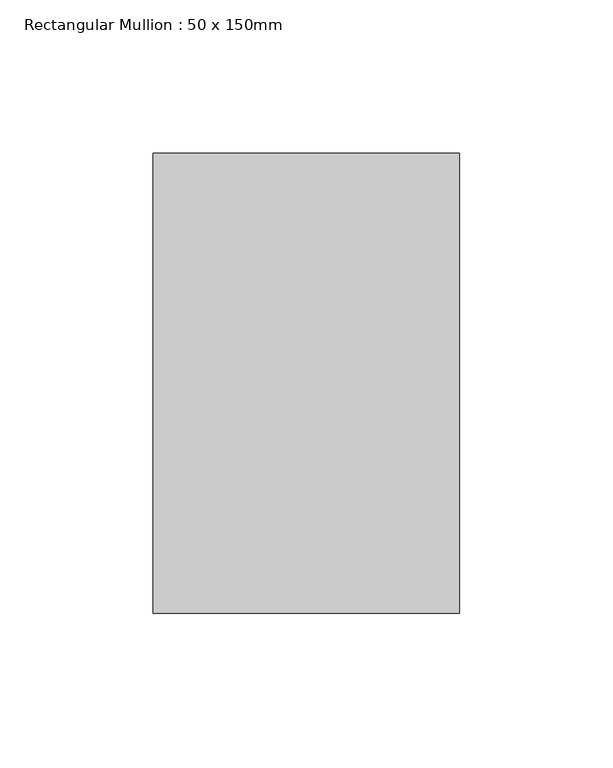
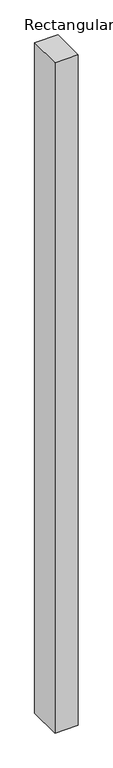
"""IFC4 building model written with IfcOpenShell, lengths in millimetres: member geometry, Rectangular Mullion : 50 x 150mm."""

from ifc_helpers import new_model, si_unit, frame, origin, place, context, project, spatial, polyline, outline, extrude, source, transform, mapped, element, save


def rectangular_mullion_50_x_150mm_00f84e62(model_context):
    return source(origin(), model_context, "Body", "SweptSolid", [
        extrude(outline(polyline([(50.0, 75.0), (50.0, -75.0), (-50.0, -75.0), (-50.0, 75.0), (50.0, 75.0)])), frame((0.0, 0.0, -3051.4948392), z_axis=(0.0, 0.0, 1.0), x_axis=(1.0, 0.0, 0.0)), (0.0, 0.0, 1.0), 3051.4948392),
    ])


if __name__ == "__main__":
    model = new_model("IFC4")
    model_context = context("Model", 3, world=origin())
    ifc_project = project(units=[si_unit("LENGTHUNIT", "METRE", prefix="MILLI")], contexts=[model_context])
    site = spatial("IfcSite", under=ifc_project)
    building = spatial("IfcBuilding", under=site)
    placement = place(None, origin())
    rectangular_mullion_50_x_150mm_shape = rectangular_mullion_50_x_150mm_00f84e62(model_context)
    element("IfcMember", 1, ObjectType="Rectangular Mullion : 50 x 150mm", at=placement, inside=building, context=model_context, shape_type="MappedRepresentation", body=[
        mapped(rectangular_mullion_50_x_150mm_shape, transform((0.0, 0.0, 0.0), x_axis=(1.0, 0.0, 0.0), y_axis=(0.0, 1.0, 0.0), z_axis=(0.0, 0.0, 1.0))),
    ])
    save(model, "model.ifc")
